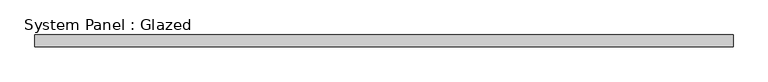
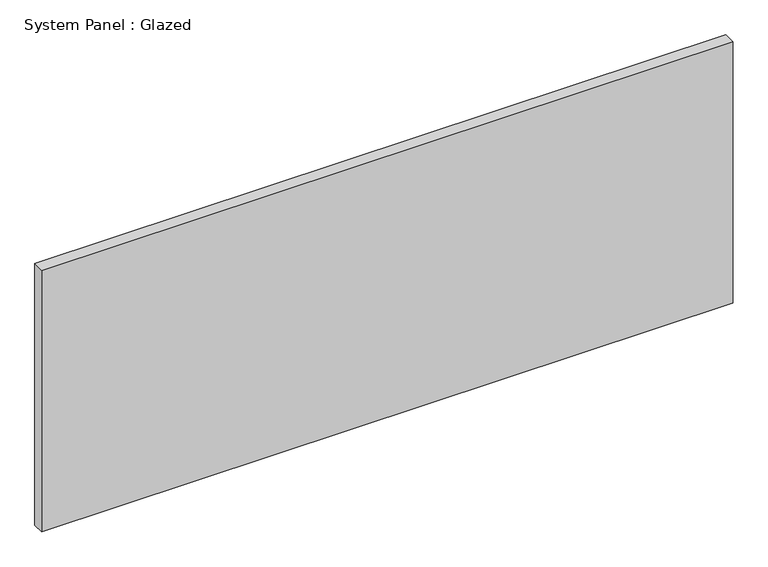
"""IFC4 building model written with IfcOpenShell, lengths in millimetres: plate geometry, System Panel : Glazed."""

from ifc_helpers import new_model, si_unit, origin, origin_with_axes, place, context, project, spatial, polyline, outline, extrude, source, transform, mapped, element, save


def system_panel_glazed_327285c7(model_context):
    return source(origin(), model_context, "Body", "SweptSolid", [
        extrude(outline(polyline([(762.0, 19.05), (-762.0, 19.05), (-762.0, 44.45), (762.0, 44.45), (762.0, 19.05)])), origin_with_axes(), (0.0, 0.0, 1.0), 609.6),
    ])


if __name__ == "__main__":
    model = new_model("IFC4")
    model_context = context("Model", 3, world=origin())
    ifc_project = project(units=[si_unit("LENGTHUNIT", "METRE", prefix="MILLI")], contexts=[model_context])
    site = spatial("IfcSite", under=ifc_project)
    building = spatial("IfcBuilding", under=site)
    placement = place(None, origin())
    system_panel_glazed_shape = system_panel_glazed_327285c7(model_context)
    element("IfcPlate", 1, ObjectType="System Panel : Glazed", at=placement, inside=building, context=model_context, shape_type="MappedRepresentation", body=[
        mapped(system_panel_glazed_shape, transform((0.0, 0.0, 0.0), x_axis=(1.0, 0.0, 0.0), y_axis=(0.0, 1.0, 0.0), z_axis=(0.0, 0.0, 1.0))),
    ])
    save(model, "model.ifc")
